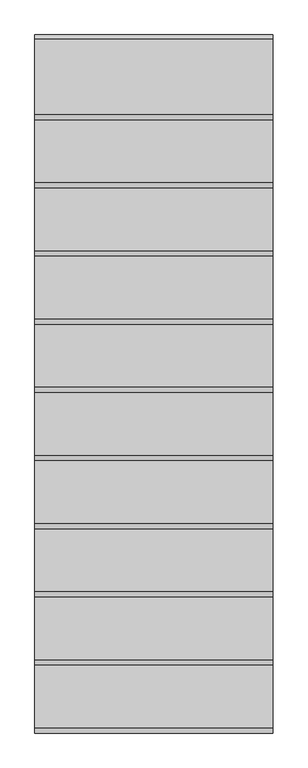
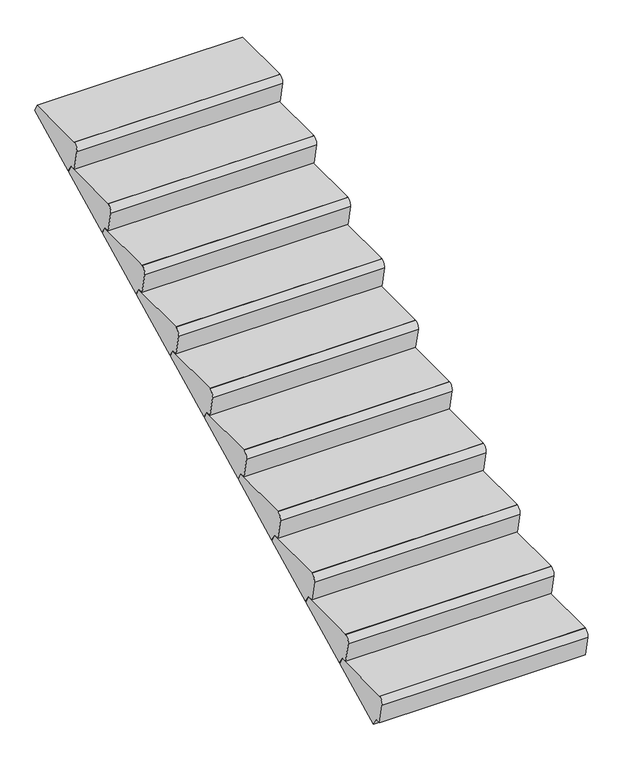
"""IFC4 building model written with IfcOpenShell, lengths in millimetres: stair flight geometry."""

from ifc_helpers import new_model, si_unit, point, frame, frame_2d, origin, place, context, project, spatial, polyline, circle_curve, trimmed, segment, composite_curve, outline, extrude, source, transform, mapped, element, save


def stair_flight_0df90dfe(model_context):
    return source(origin(), model_context, "Body", "SweptSolid", [
        extrude(outline(composite_curve([segment(polyline([(600.6577388, 150.0), (930.6577388, 150.0), (950.005328, 111.1732054), (654.6577388, -36.0), (627.6577388, 5.0), (600.6577388, 5.0), (578.1221874, 113.9218319)]), True, "CONTINUOUS"), segment(trimmed(circle_curve(frame_2d((607.5, 120.0)), 30.0), [point((578.1221874, 113.9218319))], [point((600.6577388, 149.2093044))], False, "CARTESIAN"), True, "CONTINUOUS"), segment(polyline([(600.6577388, 149.2093044), (600.6577388, 150.0)]), True, "CONTINUOUS")], self_intersect=False)), frame((-5777.5, 0.0, 0.0), z_axis=(1.0, 0.0, 0.0), x_axis=(0.0, 1.0, 0.0)), (0.0, 0.0, 1.0), 1050.0),
        extrude(outline(composite_curve([segment(polyline([(900.6577388, 300.0), (1230.6577388, 300.0), (1250.005328, 261.1732054), (954.6577388, 114.0), (927.6577388, 155.0), (900.6577388, 155.0), (878.1221874, 263.9218319)]), True, "CONTINUOUS"), segment(trimmed(circle_curve(frame_2d((907.5, 270.0)), 30.0), [point((878.1221874, 263.9218319))], [point((900.6577388, 299.2093044))], False, "CARTESIAN"), True, "CONTINUOUS"), segment(polyline([(900.6577388, 299.2093044), (900.6577388, 300.0)]), True, "CONTINUOUS")], self_intersect=False)), frame((-5777.5, 0.0, 0.0), z_axis=(1.0, 0.0, 0.0), x_axis=(0.0, 1.0, 0.0)), (0.0, 0.0, 1.0), 1050.0),
        extrude(outline(composite_curve([segment(polyline([(1200.6577388, 450.0), (1530.6577388, 450.0), (1550.005328, 411.1732054), (1254.6577388, 264.0), (1227.6577388, 305.0), (1200.6577388, 305.0), (1178.1221874, 413.9218319)]), True, "CONTINUOUS"), segment(trimmed(circle_curve(frame_2d((1207.5, 420.0)), 30.0), [point((1178.1221874, 413.9218319))], [point((1200.6577388, 449.2093044))], False, "CARTESIAN"), True, "CONTINUOUS"), segment(polyline([(1200.6577388, 449.2093044), (1200.6577388, 450.0)]), True, "CONTINUOUS")], self_intersect=False)), frame((-5777.5, 0.0, 0.0), z_axis=(1.0, 0.0, 0.0), x_axis=(0.0, 1.0, 0.0)), (0.0, 0.0, 1.0), 1050.0),
        extrude(outline(composite_curve([segment(polyline([(1500.6577388, 600.0), (1830.6577388, 600.0), (1850.005328, 561.1732054), (1554.6577388, 414.0), (1527.6577388, 455.0), (1500.6577388, 455.0), (1478.1221874, 563.9218319)]), True, "CONTINUOUS"), segment(trimmed(circle_curve(frame_2d((1507.5, 570.0)), 30.0), [point((1478.1221874, 563.9218319))], [point((1500.6577388, 599.2093044))], False, "CARTESIAN"), True, "CONTINUOUS"), segment(polyline([(1500.6577388, 599.2093044), (1500.6577388, 600.0)]), True, "CONTINUOUS")], self_intersect=False)), frame((-5777.5, 0.0, 0.0), z_axis=(1.0, 0.0, 0.0), x_axis=(0.0, 1.0, 0.0)), (0.0, 0.0, 1.0), 1050.0),
        extrude(outline(composite_curve([segment(polyline([(1800.6577388, 750.0), (2130.6577388, 750.0), (2150.005328, 711.1732054), (1854.6577388, 564.0), (1827.6577388, 605.0), (1800.6577388, 605.0), (1778.1221874, 713.9218319)]), True, "CONTINUOUS"), segment(trimmed(circle_curve(frame_2d((1807.5, 720.0)), 30.0), [point((1778.1221874, 713.9218319))], [point((1800.6577388, 749.2093044))], False, "CARTESIAN"), True, "CONTINUOUS"), segment(polyline([(1800.6577388, 749.2093044), (1800.6577388, 750.0)]), True, "CONTINUOUS")], self_intersect=False)), frame((-5777.5, 0.0, 0.0), z_axis=(1.0, 0.0, 0.0), x_axis=(0.0, 1.0, 0.0)), (0.0, 0.0, 1.0), 1050.0),
        extrude(outline(composite_curve([segment(polyline([(2100.6577388, 900.0), (2430.6577388, 900.0), (2450.005328, 861.1732054), (2154.6577388, 714.0), (2127.6577388, 755.0), (2100.6577388, 755.0), (2078.1221874, 863.9218319)]), True, "CONTINUOUS"), segment(trimmed(circle_curve(frame_2d((2107.5, 870.0)), 30.0), [point((2078.1221874, 863.9218319))], [point((2100.6577388, 899.2093044))], False, "CARTESIAN"), True, "CONTINUOUS"), segment(polyline([(2100.6577388, 899.2093044), (2100.6577388, 900.0)]), True, "CONTINUOUS")], self_intersect=False)), frame((-5777.5, 0.0, 0.0), z_axis=(1.0, 0.0, 0.0), x_axis=(0.0, 1.0, 0.0)), (0.0, 0.0, 1.0), 1050.0),
        extrude(outline(composite_curve([segment(polyline([(2400.6577388, 1050.0), (2730.6577388, 1050.0), (2750.005328, 1011.1732054), (2454.6577388, 864.0), (2427.6577388, 905.0), (2400.6577388, 905.0), (2378.1221874, 1013.9218319)]), True, "CONTINUOUS"), segment(trimmed(circle_curve(frame_2d((2407.5, 1020.0)), 30.0), [point((2378.1221874, 1013.9218319))], [point((2400.6577388, 1049.2093044))], False, "CARTESIAN"), True, "CONTINUOUS"), segment(polyline([(2400.6577388, 1049.2093044), (2400.6577388, 1050.0)]), True, "CONTINUOUS")], self_intersect=False)), frame((-5777.5, 0.0, 0.0), z_axis=(1.0, 0.0, 0.0), x_axis=(0.0, 1.0, 0.0)), (0.0, 0.0, 1.0), 1050.0),
        extrude(outline(composite_curve([segment(polyline([(2700.6577388, 1200.0), (3030.6577388, 1200.0), (3050.005328, 1161.1732054), (2754.6577388, 1014.0), (2727.6577388, 1055.0), (2700.6577388, 1055.0), (2678.1221874, 1163.9218319)]), True, "CONTINUOUS"), segment(trimmed(circle_curve(frame_2d((2707.5, 1170.0)), 30.0), [point((2678.1221874, 1163.9218319))], [point((2700.6577388, 1199.2093044))], False, "CARTESIAN"), True, "CONTINUOUS"), segment(polyline([(2700.6577388, 1199.2093044), (2700.6577388, 1200.0)]), True, "CONTINUOUS")], self_intersect=False)), frame((-5777.5, 0.0, 0.0), z_axis=(1.0, 0.0, 0.0), x_axis=(0.0, 1.0, 0.0)), (0.0, 0.0, 1.0), 1050.0),
        extrude(outline(composite_curve([segment(polyline([(3000.6577388, 1350.0), (3330.6577388, 1350.0), (3350.005328, 1311.1732054), (3054.6577388, 1164.0), (3027.6577388, 1205.0), (3000.6577388, 1205.0), (2978.1221874, 1313.9218319)]), True, "CONTINUOUS"), segment(trimmed(circle_curve(frame_2d((3007.5, 1320.0)), 30.0), [point((2978.1221874, 1313.9218319))], [point((3000.6577388, 1349.2093044))], False, "CARTESIAN"), True, "CONTINUOUS"), segment(polyline([(3000.6577388, 1349.2093044), (3000.6577388, 1350.0)]), True, "CONTINUOUS")], self_intersect=False)), frame((-5777.5, 0.0, 0.0), z_axis=(1.0, 0.0, 0.0), x_axis=(0.0, 1.0, 0.0)), (0.0, 0.0, 1.0), 1050.0),
        extrude(outline(composite_curve([segment(polyline([(3300.6577388, 1500.0), (3630.6577388, 1500.0), (3650.005328, 1461.1732054), (3354.6577388, 1314.0), (3327.6577388, 1355.0), (3300.6577388, 1355.0), (3278.1221874, 1463.9218319)]), True, "CONTINUOUS"), segment(trimmed(circle_curve(frame_2d((3307.5, 1470.0)), 30.0), [point((3278.1221874, 1463.9218319))], [point((3300.6577388, 1499.2093044))], False, "CARTESIAN"), True, "CONTINUOUS"), segment(polyline([(3300.6577388, 1499.2093044), (3300.6577388, 1500.0)]), True, "CONTINUOUS")], self_intersect=False)), frame((-5777.5, 0.0, 0.0), z_axis=(1.0, 0.0, 0.0), x_axis=(0.0, 1.0, 0.0)), (0.0, 0.0, 1.0), 1050.0),
    ])


if __name__ == "__main__":
    model = new_model("IFC4")
    model_context = context("Model", 3, world=origin())
    ifc_project = project(units=[si_unit("LENGTHUNIT", "METRE", prefix="MILLI")], contexts=[model_context])
    site = spatial("IfcSite", under=ifc_project)
    building = spatial("IfcBuilding", under=site)
    placement = place(None, origin())
    stair_flight_shape = stair_flight_0df90dfe(model_context)
    element("IfcStairFlight", 1, at=placement, inside=building, context=model_context, shape_type="MappedRepresentation", body=[
        mapped(stair_flight_shape, transform((0.0, 0.0, 0.0), x_axis=(1.0, 0.0, 0.0), y_axis=(0.0, 1.0, 0.0), z_axis=(0.0, 0.0, 1.0))),
    ])
    save(model, "model.ifc")
